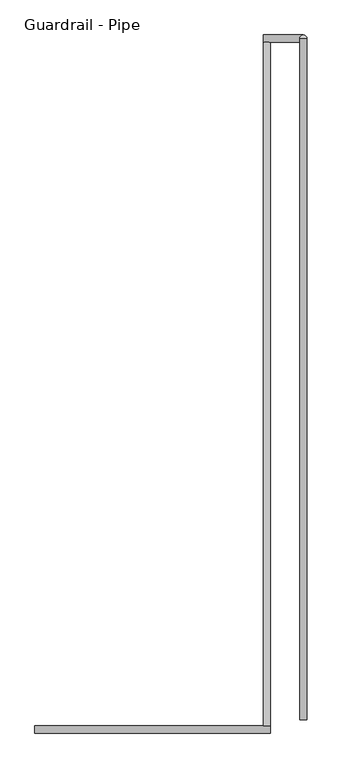
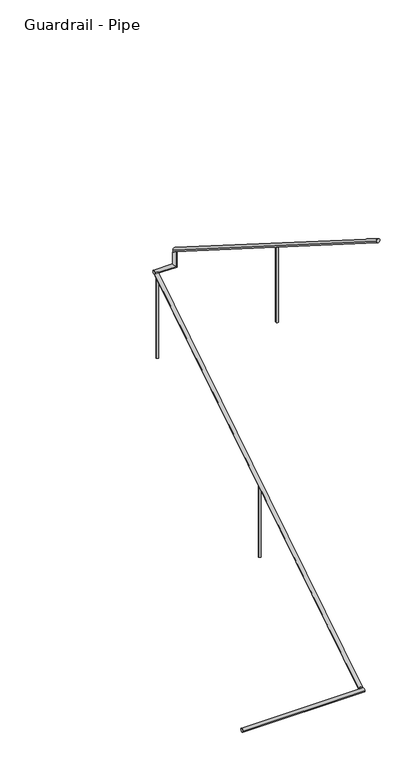
"""IFC4 building model written with IfcOpenShell, lengths in millimetres: railing geometry, Guardrail - Pipe."""

from ifc_helpers import new_model, si_unit, frame, origin, place, context, project, spatial, circle_curve, ellipse_curve, source, transform, mapped, element, save
from ifc_brep_helpers import plane_surface, cylinder_surface, advanced_brep


def guardrail_pipe_e383da78(model_context):
    return source(origin(), model_context, "Body", "AdvancedBrep", [
        advanced_brep(
        [(575184.3754676, -284233.1580223, 896.2158407), (575222.4754676, -284233.1580223, 896.2158407), (575184.3754676, -280588.2580223, 3203.4252683), (575222.4754676, -280588.2580223, 3203.4252683)],
        [
            (0, 1, ellipse_curve(frame((575203.4254676, -284233.1580223, 896.2158407), z_axis=(0.0, -1.0, 0.0), x_axis=(0.0, 0.0, -1.0)), 22.5457755, 19.05)),
            (1, 0, ellipse_curve(frame((575203.4254676, -284233.1580223, 896.2158407), z_axis=(0.0, -1.0, 0.0), x_axis=(0.0, 0.0, -1.0)), 22.5457755, 19.05)),
            (2, 3, ellipse_curve(frame((575203.4254676, -280588.2580223, 3203.4252683), z_axis=(0.0, 1.0, 0.0), x_axis=(0.0, 0.0, -1.0)), 22.5457755, 19.05)),
            (3, 2, ellipse_curve(frame((575203.4254676, -280588.2580223, 3203.4252683), z_axis=(0.0, 1.0, 0.0), x_axis=(0.0, 0.0, -1.0)), 22.5457755, 19.05)),
            (1, 3),
            (2, 0),
        ],
        [
            plane_surface(frame((575203.4254676, -284233.1580223, 918.7616162), z_axis=(0.0, -1.0, 0.0), x_axis=(0.0, 0.0, 1.0))),
            plane_surface(frame((575203.4254676, -280588.2580223, 3225.9710438), z_axis=(0.0, 1.0, 0.0), x_axis=(0.0, 0.0, 1.0))),
            cylinder_surface(frame((575203.4254676, -284222.9691486, 902.6653635), z_axis=(0.0, -0.8449476488296452, -0.5348490167675869), x_axis=(1.0, 0.0, 0.0)), 19.05),
        ],
        [
            (0, [[1, 2]]),
            (1, [[3, 4]]),
            (2, [[-2, 5, -3, 6]]),
            (2, [[-1, -6, -4, -5]]),
        ],
    ),
        advanced_brep(
        [(575184.3754676, -280550.1580223, 3218.9796296), (575184.3754676, -280588.2580223, 3218.9796296), (575397.9457983, -280588.2580223, 3218.9796296), (575397.9457983, -280550.1580223, 3218.9796296), (575397.9457983, -280550.1580223, 3357.738752), (575397.9457983, -280588.2580223, 3381.8559237)],
        [
            (0, 1, circle_curve(frame((575184.3754676, -280569.2080223, 3218.9796296), z_axis=(-1.0, 0.0, 0.0), x_axis=(0.0, -1.0, 0.0)), 19.05)),
            (1, 0, circle_curve(frame((575184.3754676, -280569.2080223, 3218.9796296), z_axis=(-1.0, 0.0, 0.0), x_axis=(0.0, -1.0, 0.0)), 19.05)),
            (1, 2),
            (2, 3, ellipse_curve(frame((575397.9457983, -280569.2080223, 3218.9796296), z_axis=(-0.7071067811865475, 0.0, -0.7071067811865475), x_axis=(-0.7071067811865476, 0.0, 0.7071067811865474)), 26.9407684, 19.05)),
            (3, 0),
            (3, 2, ellipse_curve(frame((575397.9457983, -280569.2080223, 3218.9796296), z_axis=(-0.7071067811865475, 0.0, -0.7071067811865475), x_axis=(-0.7071067811865476, 0.0, 0.7071067811865474)), 26.9407684, 19.05)),
            (4, 5, ellipse_curve(frame((575397.9457983, -280569.2080223, 3369.7973379), z_axis=(0.0, 0.5348490167675869, 0.8449476488296452), x_axis=(0.0, 0.8449476488296452, -0.5348490167675869)), 22.5457755, 19.05)),
            (5, 4, ellipse_curve(frame((575397.9457983, -280569.2080223, 3369.7973379), z_axis=(0.0, 0.5348490167675869, 0.8449476488296452), x_axis=(0.0, 0.8449476488296452, -0.5348490167675869)), 22.5457755, 19.05)),
            (2, 5),
            (4, 3),
        ],
        [
            plane_surface(frame((575184.3754676, -280569.2080223, 3238.0296296), z_axis=(-1.0, 0.0, 0.0), x_axis=(0.0, 1.0, 0.0))),
            cylinder_surface(frame((575184.3754676, -280569.2080223, 3218.9796296), z_axis=(-1.0, 0.0, 0.0), x_axis=(0.0, -1.0, 0.0)), 19.05),
            plane_surface(frame((575378.8957983, -280569.2080223, 3369.7973379), z_axis=(0.0, 0.5348490167675869, 0.8449476488296452), x_axis=(1.0, 0.0, 0.0))),
            cylinder_surface(frame((575397.9457983, -280569.2080223, 3238.0296296), z_axis=(0.0, 0.0, -1.0), x_axis=(0.0, -1.0, 0.0)), 19.05),
        ],
        [
            (0, [[1, 2]]),
            (1, [[-2, 3, 4, 5]]),
            (1, [[-1, -5, 6, -3]]),
            (2, [[7, 8]]),
            (3, [[-4, 9, -7, 10]]),
            (3, [[-6, -10, -8, -9]]),
        ],
    ),
        advanced_brep(
        [(575416.9957983, -280569.2080223, 3392.3431134), (575378.8957983, -280569.2080223, 3392.3431134), (575416.9957983, -284201.4080223, 5691.5134838), (575378.8957983, -284201.4080223, 5691.5134838)],
        [
            (0, 1, ellipse_curve(frame((575397.9457983, -280569.2080223, 3392.3431134), z_axis=(0.0, 1.0, 0.0), x_axis=(0.0, 0.0, -1.0)), 22.5457755, 19.05)),
            (1, 0, ellipse_curve(frame((575397.9457983, -280569.2080223, 3392.3431134), z_axis=(0.0, 1.0, 0.0), x_axis=(0.0, 0.0, -1.0)), 22.5457755, 19.05)),
            (2, 3, ellipse_curve(frame((575397.9457983, -284201.4080223, 5691.5134838), z_axis=(0.0, -1.0, 0.0), x_axis=(0.0, 0.0, -1.0)), 22.5457755, 19.05)),
            (3, 2, ellipse_curve(frame((575397.9457983, -284201.4080223, 5691.5134838), z_axis=(0.0, -1.0, 0.0), x_axis=(0.0, 0.0, -1.0)), 22.5457755, 19.05)),
            (1, 3),
            (2, 0),
        ],
        [
            plane_surface(frame((575397.9457983, -280569.2080223, 3414.8888889), z_axis=(0.0, 1.0, 0.0), x_axis=(0.0, 0.0, -1.0))),
            plane_surface(frame((575397.9457983, -284201.4080223, 5714.0592593), z_axis=(0.0, -1.0, 0.0), x_axis=(0.0, 0.0, -1.0))),
            cylinder_surface(frame((575397.9457983, -280579.3968961, 3398.7926362), z_axis=(0.0, 0.8449476488296452, -0.5348490167675869), x_axis=(-1.0, 0.0, 0.0)), 19.05),
        ],
        [
            (0, [[1, 2]]),
            (1, [[3, 4]]),
            (2, [[-2, 5, -3, 6]]),
            (2, [[-1, -6, -4, -5]]),
        ],
    ),
        advanced_brep(
        [(573965.1754676, -284233.1580223, 887.6530303), (573965.1754676, -284271.2580223, 887.6530303), (575222.4754676, -284233.1580223, 887.6530303), (575222.4754676, -284271.2580223, 887.6530303)],
        [
            (0, 1, circle_curve(frame((573965.1754676, -284252.2080223, 887.6530303), z_axis=(-1.0, 0.0, 0.0), x_axis=(0.0, -1.0, 0.0)), 19.05)),
            (1, 0, circle_curve(frame((573965.1754676, -284252.2080223, 887.6530303), z_axis=(-1.0, 0.0, 0.0), x_axis=(0.0, -1.0, 0.0)), 19.05)),
            (2, 3, circle_curve(frame((575222.4754676, -284252.2080223, 887.6530303), z_axis=(1.0, 0.0, 0.0), x_axis=(0.0, -1.0, 0.0)), 19.05)),
            (3, 2, circle_curve(frame((575222.4754676, -284252.2080223, 887.6530303), z_axis=(1.0, 0.0, 0.0), x_axis=(0.0, -1.0, 0.0)), 19.05)),
            (1, 3),
            (2, 0),
        ],
        [
            plane_surface(frame((573965.1754676, -284252.2080223, 906.7030303), z_axis=(-1.0, 0.0, 0.0), x_axis=(0.0, 1.0, 0.0))),
            plane_surface(frame((575222.4754676, -284252.2080223, 906.7030303), z_axis=(1.0, 0.0, 0.0), x_axis=(0.0, 1.0, 0.0))),
            cylinder_surface(frame((573965.1754676, -284252.2080223, 887.6530303), z_axis=(-1.0, 0.0, 0.0), x_axis=(0.0, -1.0, 0.0)), 19.05),
        ],
        [
            (0, [[1, 2]]),
            (1, [[3, 4]]),
            (2, [[-2, 5, -3, 6]]),
            (2, [[-1, -6, -4, -5]]),
        ],
    ),
        advanced_brep(
        [(575385.2457983, -282398.0080223, 4527.4215803), (575385.2457983, -282398.0080223, 3714.0444444), (575410.6457983, -282398.0080223, 3714.0444444), (575410.6457983, -282398.0080223, 4527.4215803)],
        [
            (0, 1),
            (1, 2, circle_curve(frame((575397.9457983, -282398.0080223, 3714.0444444), z_axis=(0.0, 0.0, 1.0), x_axis=(1.0, 0.0, 0.0)), 12.7)),
            (2, 3),
            (3, 0, ellipse_curve(frame((575397.9457983, -282398.0080223, 4527.4215803), z_axis=(0.0, -0.5348490167675828, -0.844947648829648), x_axis=(0.0, -0.8449476488296481, 0.5348490167675825)), 15.030517, 12.7)),
            (0, 3, ellipse_curve(frame((575397.9457983, -282398.0080223, 4527.4215803), z_axis=(0.0, -0.5348490167675828, -0.844947648829648), x_axis=(0.0, -0.8449476488296481, 0.5348490167675825)), 15.030517, 12.7)),
            (2, 1, circle_curve(frame((575397.9457983, -282398.0080223, 3714.0444444), z_axis=(0.0, 0.0, 1.0), x_axis=(1.0, 0.0, 0.0)), 12.7)),
        ],
        [
            cylinder_surface(frame((575397.9457983, -282398.0080223, 3485.4444444), z_axis=(0.0, 0.0, 1.0), x_axis=(1.0, 0.0, 0.0)), 12.7),
            plane_surface(frame((575423.3457983, -282423.4080223, 4543.4996948), z_axis=(0.0, 0.5348490167675828, 0.844947648829648), x_axis=(-1.0, 0.0, 0.0))),
            plane_surface(frame((575423.3457983, -282372.6080223, 3714.0444444), z_axis=(0.0, 0.0, -1.0), x_axis=(-1.0, 0.0, 0.0))),
        ],
        [
            (0, [[1, 2, 3, 4]]),
            (0, [[-1, 5, -3, 6]]),
            (1, [[-4, -5]]),
            (2, [[-2, -6]]),
        ],
    ),
        advanced_brep(
        [(575216.1254676, -280594.6080223, 3176.8599642), (575216.1254676, -280594.6080223, 2299.1703704), (575190.7254676, -280594.6080223, 2299.1703704), (575190.7254676, -280594.6080223, 3176.8599642)],
        [
            (0, 1),
            (1, 2, circle_curve(frame((575203.4254676, -280594.6080223, 2299.1703704), z_axis=(0.0, 0.0, 1.0), x_axis=(-1.0, 0.0, 0.0)), 12.7)),
            (2, 3),
            (3, 0, ellipse_curve(frame((575203.4254676, -280594.6080223, 3176.8599642), z_axis=(0.0, 0.5348490167675843, -0.8449476488296469), x_axis=(0.0, 0.8449476488296469, 0.5348490167675843)), 15.030517, 12.7)),
            (0, 3, ellipse_curve(frame((575203.4254676, -280594.6080223, 3176.8599642), z_axis=(0.0, 0.5348490167675843, -0.8449476488296469), x_axis=(0.0, 0.8449476488296469, 0.5348490167675843)), 15.030517, 12.7)),
            (2, 1, circle_curve(frame((575203.4254676, -280594.6080223, 2299.1703704), z_axis=(0.0, 0.0, 1.0), x_axis=(-1.0, 0.0, 0.0)), 12.7)),
        ],
        [
            cylinder_surface(frame((575203.4254676, -280594.6080223, 2070.5703704), z_axis=(0.0, 0.0, 1.0), x_axis=(-1.0, 0.0, 0.0)), 12.7),
            plane_surface(frame((575178.0254676, -280569.2080223, 3192.9380786), z_axis=(0.0, -0.5348490167675843, 0.8449476488296469), x_axis=(1.0, 0.0, 0.0))),
            plane_surface(frame((575178.0254676, -280620.0080223, 2299.1703704), z_axis=(0.0, 0.0, -1.0), x_axis=(1.0, 0.0, 0.0))),
        ],
        [
            (0, [[1, 2, 3, 4]]),
            (0, [[-1, 5, -3, 6]]),
            (1, [[-4, -5]]),
            (2, [[-2, -6]]),
        ],
    ),
        advanced_brep(
        [(575216.1254676, -282423.4080223, 2019.2357217), (575216.1254676, -282423.4080223, 1238.0148148), (575190.7254676, -282423.4080223, 1238.0148148), (575190.7254676, -282423.4080223, 2019.2357217)],
        [
            (0, 1),
            (1, 2, circle_curve(frame((575203.4254676, -282423.4080223, 1238.0148148), z_axis=(0.0, 0.0, 1.0), x_axis=(-1.0, 0.0, 0.0)), 12.7)),
            (2, 3),
            (3, 0, ellipse_curve(frame((575203.4254676, -282423.4080223, 2019.2357217), z_axis=(0.0, 0.5348490167675843, -0.8449476488296469), x_axis=(0.0, 0.8449476488296469, 0.5348490167675843)), 15.030517, 12.7)),
            (0, 3, ellipse_curve(frame((575203.4254676, -282423.4080223, 2019.2357217), z_axis=(0.0, 0.5348490167675843, -0.8449476488296469), x_axis=(0.0, 0.8449476488296469, 0.5348490167675843)), 15.030517, 12.7)),
            (2, 1, circle_curve(frame((575203.4254676, -282423.4080223, 1238.0148148), z_axis=(0.0, 0.0, 1.0), x_axis=(-1.0, 0.0, 0.0)), 12.7)),
        ],
        [
            cylinder_surface(frame((575203.4254676, -282423.4080223, 1009.4148148), z_axis=(0.0, 0.0, 1.0), x_axis=(-1.0, 0.0, 0.0)), 12.7),
            plane_surface(frame((575178.0254676, -282398.0080223, 2035.3138362), z_axis=(0.0, -0.5348490167675843, 0.8449476488296469), x_axis=(1.0, 0.0, 0.0))),
            plane_surface(frame((575178.0254676, -282448.8080223, 1238.0148148), z_axis=(0.0, 0.0, -1.0), x_axis=(1.0, 0.0, 0.0))),
        ],
        [
            (0, [[1, 2, 3, 4]]),
            (0, [[-1, 5, -3, 6]]),
            (1, [[-4, -5]]),
            (2, [[-2, -6]]),
        ],
    ),
    ])


if __name__ == "__main__":
    model = new_model("IFC4")
    model_context = context("Model", 3, world=origin())
    ifc_project = project(units=[si_unit("LENGTHUNIT", "METRE", prefix="MILLI")], contexts=[model_context])
    site = spatial("IfcSite", under=ifc_project)
    building = spatial("IfcBuilding", under=site)
    placement = place(None, origin())
    guardrail_pipe_shape = guardrail_pipe_e383da78(model_context)
    element("IfcRailing", 1, ObjectType="Guardrail - Pipe", at=placement, inside=building, context=model_context, shape_type="MappedRepresentation", body=[
        mapped(guardrail_pipe_shape, transform((0.0, 0.0, 0.0), x_axis=(1.0, 0.0, 0.0), y_axis=(0.0, 1.0, 0.0), z_axis=(0.0, 0.0, 1.0))),
    ])
    save(model, "model.ifc")
